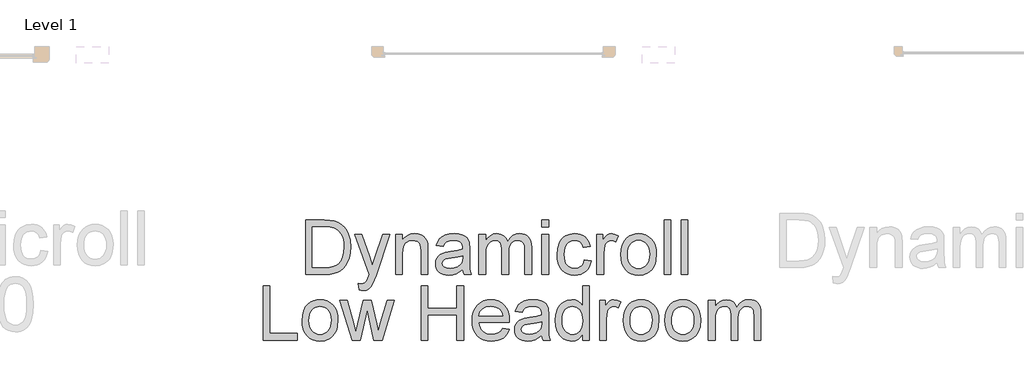
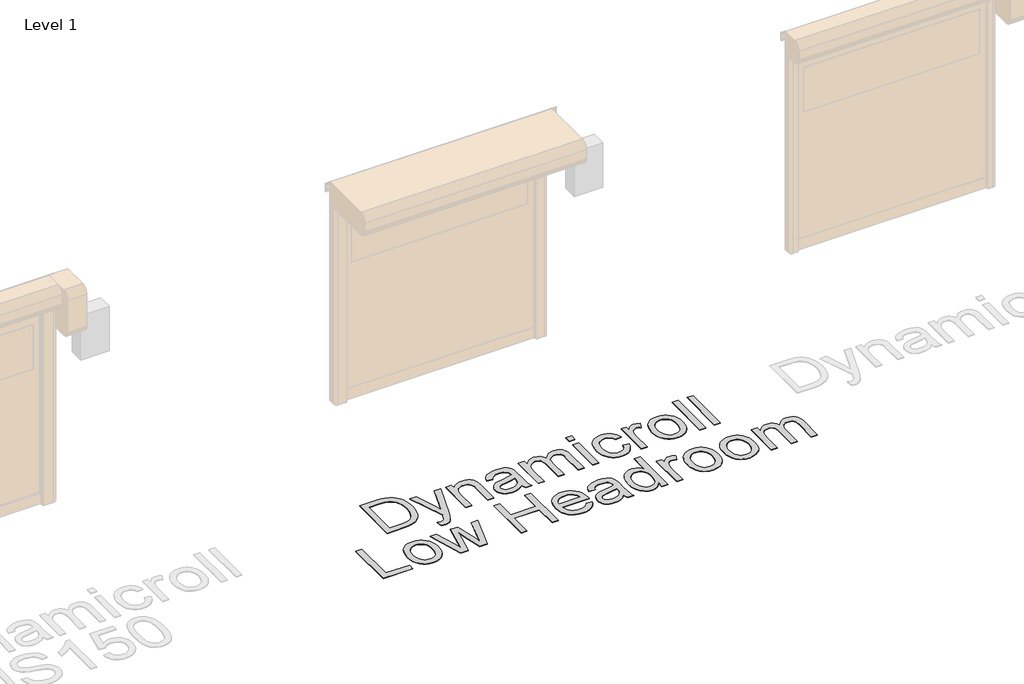
# One storey, part 10 of 18: 1 proxy.
"""IFC4 building model written with IfcOpenShell, lengths in millimetres."""

from ifc_helpers import new_model, si_unit, origin, origin_with_axes, place, context, project, spatial, polyline, outline, extrude, element, save

model = new_model("IFC4")

# Units and contexts
model_context = context("Model", 3, world=origin())
ifc_project = project(units=[si_unit("LENGTHUNIT", "METRE", prefix="MILLI")], contexts=[model_context])

# Site, building, storey
site = spatial("IfcSite", under=ifc_project)
building = spatial("IfcBuilding", under=site)
storey = spatial("IfcBuildingStorey", under=building, Name="Level 1", Elevation=0.0)

# Proxy
placement = place(None, origin())
element("IfcBuildingElementProxy", 1, Name="500mm", ObjectType="500mm", at=placement, inside=storey, context=model_context, shape_type="SweptSolid", body=[
    extrude(outline(polyline([(15153.8603048, 19116.7358376), (15153.8603048, 19619.0173884), (15327.1327245, 19619.0173884), (15378.9121153, 19617.2086352), (15416.773304, 19611.7823758), (15456.8111278, 19597.8335168), (15490.5949577, 19575.8525676), (15509.2113195, 19557.8876635), (15525.3291494, 19537.5928401), (15538.9484474, 19514.9680974), (15550.0692136, 19490.0134354), (15564.8764639, 19434.0340585), (15569.812214, 19370.5744143), (15566.4706192, 19316.6643736), (15556.4458348, 19269.2229246), (15541.178732, 19228.8325473), (15522.1101819, 19196.0757213), (15500.1598896, 19170.2166827), (15476.2475599, 19150.5196675), (15448.794366, 19135.9116866), (15416.221481, 19125.3197509), (15378.4675912, 19118.8818159), (15335.4713831, 19116.7358376), (15153.8603048, 19116.7358376)]), holes=[polyline([(15216.6454986, 19179.5210315), (15327.7458612, 19179.5210315), (15373.7004537, 19181.7896371), (15408.5572728, 19188.595454), (15434.8608354, 19199.5399434), (15455.1556588, 19214.2245664), (15476.9679955, 19241.4018488), (15493.3540727, 19276.5805645), (15503.6087833, 19319.9139979), (15507.0270201, 19371.555433), (15505.3523906, 19408.0064073), (15500.3285022, 19439.9814841), (15491.9553547, 19467.4806632), (15480.2329482, 19490.5039447), (15466.1116445, 19509.5724948), (15450.5418055, 19525.2074796), (15433.5234311, 19537.4088991), (15415.0565214, 19546.1767533), (15378.9427722, 19553.7183342), (15326.0290785, 19556.2321945), (15216.6454986, 19556.2321945), (15216.6454986, 19179.5210315)])]), origin_with_axes(), (0.0, 0.0, 1.0), 5.0),
    extrude(outline(polyline([(15648.2937063, 18975.4691515), (15640.4455571, 19035.924426), (15672.3286633, 19030.4061961), (15689.0979509, 19032.1383072), (15702.1271049, 19037.3346404), (15712.2745166, 19045.6273137), (15720.3985773, 19056.6484451), (15737.5664038, 19102.8789492), (15742.4714971, 19118.0847383), (15609.0529601, 19485.5988515), (15675.2717193, 19485.5988515), (15746.0276897, 19280.8112075), (15770.6757834, 19198.8961499), (15795.323877, 19271.2462756), (15868.0418847, 19485.5988515), (15933.7701346, 19485.5988515), (15805.3793182, 19107.9066698), (15772.024684, 19025.9916122), (15754.9488281, 18999.8413337), (15735.6043665, 18981.7231454), (15713.1329079, 18971.1465381), (15686.6760611, 18967.6210023), (15668.4965592, 18969.5830396), (15648.2937063, 18975.4691515)])), origin_with_axes(), (0.0, 0.0, 1.0), 5.0),
    extrude(outline(polyline([(15985.7641232, 19116.7358376), (15985.7641232, 19485.5988515), (16048.549317, 19485.5988515), (16048.549317, 19434.0953721), (16070.3616537, 19460.0617096), (16096.5579174, 19478.6090936), (16127.1381083, 19489.7375239), (16162.1022262, 19493.4470007), (16193.0502991, 19490.4579595), (16221.3925411, 19481.4908359), (16245.0289593, 19467.6646042), (16261.8595606, 19450.0982389), (16273.2792309, 19428.8377253), (16280.682856, 19403.9290485), (16283.993794, 19343.2285193), (16283.993794, 19116.7358376), (16221.2086001, 19116.7358376), (16221.2086001, 19334.7672335), (16219.399847, 19367.2328195), (16213.9735875, 19390.3174147), (16203.9641316, 19406.8567761), (16188.4057889, 19419.6866607), (16168.4635191, 19427.9180203), (16145.3022818, 19430.6618069), (16126.2375638, 19429.121301), (16108.5294107, 19424.4997834), (16092.1778224, 19416.7972542), (16077.182799, 19406.0137132), (16064.6556506, 19390.9228872), (16055.7076875, 19370.2985028), (16050.3389097, 19344.1405601), (16048.549317, 19312.4490591), (16048.549317, 19116.7358376), (15985.7641232, 19116.7358376)])), origin_with_axes(), (0.0, 0.0, 1.0), 5.0),
    extrude(outline(polyline([(16605.7679124, 19163.824733), (16575.7702014, 19138.1036502), (16544.8834422, 19121.2730489), (16512.4025277, 19111.9840285), (16477.6223508, 19108.8876884), (16449.6671512, 19110.750091), (16425.1531812, 19116.3372988), (16404.0804407, 19125.6493118), (16386.4489296, 19138.68613), (16372.5268954, 19154.6200189), (16362.5825852, 19172.6232441), (16356.6159991, 19192.6958054), (16354.627137, 19214.837703), (16357.6315067, 19240.8653542), (16366.6446155, 19264.5017724), (16380.5474893, 19284.7352821), (16398.2211535, 19300.5542079), (16418.9911578, 19312.5103727), (16442.1830519, 19321.1555996), (16496.5069598, 19330.5979042), (16560.702368, 19340.530718), (16605.4000304, 19352.1803146), (16605.7679124, 19366.1598304), (16601.445299, 19394.1801757), (16588.4774586, 19412.5129618), (16575.4023194, 19420.4530815), (16559.4760947, 19426.1245956), (16519.0703889, 19430.6618069), (16481.6690527, 19427.6421088), (16455.549431, 19418.5830147), (16437.7378111, 19401.8290555), (16425.2604801, 19375.7247622), (16362.4752863, 19383.5729115), (16373.3737904, 19417.9085644), (16389.6372402, 19444.8865773), (16412.7831491, 19465.5186259), (16444.3290302, 19480.8163855), (16482.9106544, 19490.2893469), (16527.1637928, 19493.4470007), (16569.608178, 19490.6572289), (16603.2540521, 19482.2879135), (16628.6225814, 19469.7032836), (16646.2349319, 19454.2675682), (16657.9151852, 19435.1836897), (16665.487423, 19411.6545704), (16668.5531063, 19356.7175258), (16668.5531063, 19278.6039155), (16671.7414169, 19169.526904), (16676.4625691, 19142.5642194), (16684.2494047, 19116.7358376), (16621.4642109, 19116.7358376), (16611.4087697, 19138.5635027), (16605.7679124, 19163.824733)]), holes=[polyline([(16605.7679124, 19289.3951207), (16563.5841103, 19278.9411407), (16504.4777364, 19270.1426296), (16450.4603968, 19259.9645611), (16436.4042389, 19253.00546), (16425.9962441, 19243.4098713), (16419.5583092, 19231.913559), (16417.4123309, 19219.252287), (16422.0874979, 19200.5822757), (16436.112999, 19185.2845161), (16459.1822657, 19175.0757907), (16490.9887299, 19171.6728823), (16524.7112461, 19175.4283443), (16554.5096877, 19186.6947304), (16578.6672721, 19203.2954054), (16595.4672165, 19223.0537342), (16602.9168269, 19243.4098713), (16605.4000304, 19271.6141576), (16605.7679124, 19289.3951207)])]), origin_with_axes(), (0.0, 0.0, 1.0), 5.0),
    extrude(outline(polyline([(16754.8827478, 19116.7358376), (16754.8827478, 19485.5988515), (16817.6679416, 19485.5988515), (16817.6679416, 19424.8983223), (16836.5525507, 19452.7807118), (16860.8327624, 19474.6237053), (16889.6808422, 19488.7411768), (16922.2690556, 19493.4470007), (16957.1871883, 19488.6492064), (16985.1768768, 19474.2558233), (17006.0848368, 19451.2172133), (17019.7577843, 19420.4837383), (17042.6431101, 19452.4051656), (17068.7474033, 19475.2061851), (17098.070664, 19488.8867968), (17130.6128922, 19493.4470007), (17155.7476631, 19491.5501092), (17177.8090865, 19485.8594346), (17196.7971624, 19476.3749769), (17212.7118908, 19463.0967361), (17225.2926886, 19445.8714281), (17234.2789728, 19424.5457687), (17239.6707432, 19399.1197579), (17241.4680001, 19369.5933957), (17241.4680001, 19116.7358376), (17178.6828062, 19116.7358376), (17178.6828062, 19342.6153827), (17177.2266067, 19373.9313375), (17172.858008, 19395.038567), (17164.6726336, 19409.4932637), (17151.7661069, 19420.8516203), (17135.1654319, 19428.2092602), (17115.8976124, 19430.6618069), (17098.105153, 19429.0906442), (17081.8838562, 19424.3771561), (17067.2337222, 19416.5213427), (17054.1547509, 19405.5232039), (17043.3980346, 19391.0608429), (17035.7146659, 19372.8123631), (17031.1046446, 19350.7777645), (17029.5679709, 19324.9570469), (17029.5679709, 19116.7358376), (16966.782777, 19116.7358376), (16966.782777, 19349.6051406), (16963.1499423, 19385.1057531), (16952.2514382, 19410.4282971), (16943.8246412, 19419.2804576), (16933.0755892, 19425.6034294), (16904.6107198, 19430.6618069), (16880.4224786, 19427.2895552), (16858.1349611, 19417.1728004), (16839.7408613, 19400.5567969), (16827.2328735, 19377.6867996), (16820.0591746, 19345.9569775), (16817.6679416, 19302.7614999), (16817.6679416, 19116.7358376), (16754.8827478, 19116.7358376)])), origin_with_axes(), (0.0, 0.0, 1.0), 5.0),
    extrude(outline(polyline([(17335.6457908, 19556.2321945), (17335.6457908, 19619.0173884), (17398.4309847, 19619.0173884), (17398.4309847, 19556.2321945), (17335.6457908, 19556.2321945)])), origin_with_axes(), (0.0, 0.0, 1.0), 5.0),
    extrude(outline(polyline([(17335.6457908, 19116.7358376), (17335.6457908, 19485.5988515), (17398.4309847, 19485.5988515), (17398.4309847, 19116.7358376), (17335.6457908, 19116.7358376)])), origin_with_axes(), (0.0, 0.0, 1.0), 5.0),
    extrude(outline(polyline([(17728.0532524, 19250.1543746), (17790.8384462, 19242.3062253), (17784.0096367, 19212.6802284), (17773.3333946, 19186.4648041), (17758.80972, 19163.6599525), (17740.4386129, 19144.2656736), (17718.9941582, 19128.7878051), (17695.2504411, 19117.7321847), (17669.2074615, 19111.0988125), (17640.8652195, 19108.8876884), (17605.6520148, 19111.9725322), (17574.079309, 19121.2270637), (17546.1471021, 19136.6512827), (17521.8553941, 19158.2451894), (17502.1928678, 19185.6025807), (17488.1482063, 19218.3172536), (17479.7214093, 19256.389208), (17476.912477, 19299.8184439), (17481.7102713, 19355.6905219), (17496.1036544, 19404.1129895), (17506.9561733, 19425.0631027), (17520.3225524, 19443.2157799), (17536.2027919, 19458.5710211), (17554.5968916, 19471.1288263), (17595.6004057, 19487.8674571), (17640.0068282, 19493.4470007), (17667.862393, 19491.5309486), (17693.0584776, 19485.7827925), (17715.5950819, 19476.2025322), (17735.4722059, 19462.7901678), (17752.3526246, 19445.8522676), (17765.8991126, 19425.6953999), (17776.1116701, 19402.3195648), (17782.990297, 19375.7247622), (17720.2051031, 19367.876613), (17708.8160897, 19395.2684932), (17691.0811118, 19414.9041947), (17667.9811882, 19426.7224038), (17640.4973375, 19430.6618069), (17619.1640139, 19428.7227622), (17599.9230191, 19422.9056281), (17582.7743532, 19413.2104047), (17567.7180161, 19399.6370919), (17555.4591151, 19381.8714573), (17546.7027572, 19359.5992681), (17541.4489424, 19332.8205246), (17539.6976708, 19301.5352266), (17541.4106214, 19269.7785797), (17546.549473, 19242.6894357), (17555.1142257, 19220.2677946), (17567.1048795, 19202.5136562), (17581.8623124, 19189.0208176), (17598.7274026, 19179.3830757), (17617.7001501, 19173.6004306), (17638.7805549, 19171.6728823), (17671.2921262, 19176.486005), (17697.9482424, 19190.9253733), (17708.7279513, 19201.8468701), (17717.3386893, 19215.3588692), (17728.0532524, 19250.1543746)])), origin_with_axes(), (0.0, 0.0, 1.0), 5.0),
    extrude(outline(polyline([(17845.7754908, 19116.7358376), (17845.7754908, 19485.5988515), (17900.7125354, 19485.5988515), (17900.7125354, 19431.0296889), (17921.0073588, 19462.6675404), (17939.7080269, 19481.3068949), (17958.4700087, 19490.4119742), (17978.9487731, 19493.4470007), (18010.2187427, 19488.6032211), (18041.9792216, 19474.0718823), (18021.0099479, 19417.785937), (17998.9370281, 19427.4428394), (17976.8641084, 19430.6618069), (17958.1174551, 19427.5654667), (17941.3634959, 19418.2764464), (17927.8285042, 19403.4998529), (17918.7387532, 19383.9407935), (17911.1052018, 19348.8693766), (17908.5606847, 19310.6096491), (17908.5606847, 19116.7358376), (17845.7754908, 19116.7358376)])), origin_with_axes(), (0.0, 0.0, 1.0), 5.0),
    extrude(outline(polyline([(18065.5236693, 19301.1673446), (18068.9189135, 19348.9383545), (18079.1046463, 19390.1028169), (18096.0808675, 19424.6607318), (18119.8475772, 19452.6120992), (18143.7752353, 19470.4773686), (18170.1860969, 19483.2382753), (18199.0801619, 19490.8948194), (18230.4574304, 19493.4470007), (18265.0958195, 19490.3391643), (18296.4156065, 19481.015655), (18324.4167913, 19465.4764728), (18349.0993739, 19443.7216177), (18369.2447452, 19416.4868537), (18383.6342962, 19384.5079449), (18392.2680268, 19347.7848911), (18395.1459369, 19306.3176925), (18390.0569027, 19242.8887052), (18383.6956098, 19216.8533898), (18374.7897999, 19194.6041933), (18363.4506038, 19175.3861911), (18349.7891526, 19158.4444588), (18333.8054464, 19143.7789964), (18315.499485, 19131.3898038), (18274.7718824, 19114.5132173), (18230.4574304, 19108.8876884), (18195.3132036, 19111.9840285), (18163.7021767, 19121.2730489), (18135.6243499, 19136.7547495), (18111.079723, 19158.4291304), (18091.1489495, 19185.9283096), (18076.9126827, 19218.884405), (18068.3709226, 19257.2974166), (18065.5236693, 19301.1673446)]), holes=[polyline([(18128.3088631, 19301.2899719), (18130.1252805, 19270.8362405), (18135.5745325, 19244.4675321), (18144.6566193, 19222.1838466), (18157.3715407, 19203.9851842), (18172.8379129, 19189.8485521), (18190.174352, 19179.7509577), (18209.3808578, 19173.6924011), (18230.4574304, 19171.6728823), (18251.4267042, 19173.7038974), (18270.5565679, 19179.796943), (18287.8470217, 19189.9520189), (18303.2980655, 19204.1691252), (18316.0129869, 19222.5478965), (18325.0950737, 19245.1879676), (18330.5443258, 19272.0893385), (18332.3607431, 19303.2520092), (18330.5328294, 19332.7400504), (18325.0490885, 19358.4189801), (18315.9095201, 19380.2887983), (18303.1141245, 19398.349505), (18287.6055991, 19412.486137), (18270.3266417, 19422.5837314), (18251.2772521, 19428.642288), (18230.4574304, 19430.6618069), (18209.3808578, 19428.6499522), (18190.174352, 19422.6143882), (18172.8379129, 19412.5551149), (18157.3715407, 19398.4721323), (18144.6566193, 19380.3271193), (18135.5745325, 19358.0817549), (18130.1252805, 19331.7360391), (18128.3088631, 19301.2899719)])]), origin_with_axes(), (0.0, 0.0, 1.0), 5.0),
    extrude(outline(polyline([(18465.77928, 19116.7358376), (18465.77928, 19619.0173884), (18528.5644739, 19619.0173884), (18528.5644739, 19116.7358376), (18465.77928, 19116.7358376)])), origin_with_axes(), (0.0, 0.0, 1.0), 5.0),
    extrude(outline(polyline([(18622.7422646, 19116.7358376), (18622.7422646, 19619.0173884), (18685.5274585, 19619.0173884), (18685.5274585, 19116.7358376), (18622.7422646, 19116.7358376)])), origin_with_axes(), (0.0, 0.0, 1.0), 5.0),
    extrude(outline(polyline([(14761.4528433, 18506.8617484), (14761.4528433, 19009.1432992), (14824.2380371, 19009.1432992), (14824.2380371, 18569.6469423), (15075.3788125, 18569.6469423), (15075.3788125, 18506.8617484), (14761.4528433, 18506.8617484)])), origin_with_axes(), (0.0, 0.0, 1.0), 5.0),
    extrude(outline(polyline([(15122.4677079, 18691.2932553), (15125.8629521, 18739.0642652), (15136.0486848, 18780.2287277), (15153.0249061, 18814.7866426), (15176.7916158, 18842.73801), (15200.7192739, 18860.6032794), (15227.1301355, 18873.3641861), (15256.0242005, 18881.0207301), (15287.401469, 18883.5729115), (15322.0398581, 18880.465075), (15353.3596451, 18871.1415657), (15381.3608299, 18855.6023835), (15406.0434125, 18833.8475285), (15426.1887838, 18806.6127645), (15440.5783348, 18774.6338557), (15449.2120653, 18737.9108019), (15452.0899755, 18696.4436033), (15447.0009413, 18633.0146159), (15440.6396484, 18606.9793006), (15431.7338385, 18584.7301041), (15420.3946424, 18565.5121019), (15406.7331912, 18548.5703696), (15390.7494849, 18533.9049072), (15372.4435236, 18521.5157146), (15331.715921, 18504.639128), (15287.401469, 18499.0135992), (15252.2572422, 18502.1099393), (15220.6462153, 18511.3989597), (15192.5683885, 18526.8806603), (15168.0237616, 18548.5550412), (15148.0929881, 18576.0542203), (15133.8567213, 18609.0103157), (15125.3149612, 18647.4233274), (15122.4677079, 18691.2932553)]), holes=[polyline([(15185.2529017, 18691.4158827), (15187.0693191, 18660.9621513), (15192.5185711, 18634.5934428), (15201.6006579, 18612.3097574), (15214.3155793, 18594.1110949), (15229.7819515, 18579.9744629), (15247.1183906, 18569.8768685), (15266.3248964, 18563.8183119), (15287.401469, 18561.798793), (15308.3707428, 18563.8298082), (15327.5006065, 18569.9228538), (15344.7910603, 18580.0779297), (15360.2421041, 18594.2950359), (15372.9570255, 18612.6738073), (15382.0391123, 18635.3138784), (15387.4883643, 18662.2152493), (15389.3047817, 18693.37792), (15387.476868, 18722.8659611), (15381.993127, 18748.5448908), (15372.8535587, 18770.414709), (15360.0581631, 18788.4754157), (15344.5496377, 18802.6120478), (15327.2706803, 18812.7096422), (15308.2212907, 18818.7681988), (15287.401469, 18820.7877176), (15266.3248964, 18818.775863), (15247.1183906, 18812.740299), (15229.7819515, 18802.6810257), (15214.3155793, 18788.5980431), (15201.6006579, 18770.4530301), (15192.5185711, 18748.2076657), (15187.0693191, 18721.8619499), (15185.2529017, 18691.4158827)])]), origin_with_axes(), (0.0, 0.0, 1.0), 5.0),
    extrude(outline(polyline([(15583.9143571, 18506.8617484), (15471.7103486, 18875.7247622), (15536.9480891, 18875.7247622), (15600.5916743, 18660.5137951), (15619.5989107, 18583.6264581), (15635.1725818, 18657.6933664), (15685.8176698, 18875.7247622), (15760.6203422, 18875.7247622), (15811.0201755, 18658.3065031), (15824.877064, 18591.2293526), (15844.7426917, 18661.9853231), (15908.5089042, 18875.7247622), (15973.9918994, 18875.7247622), (15860.9294995, 18506.8617484), (15785.0231812, 18506.8617484), (15736.8306398, 18723.1763616), (15722.851124, 18790.621394), (15660.6790668, 18506.8617484), (15583.9143571, 18506.8617484)])), origin_with_axes(), (0.0, 0.0, 1.0), 5.0),
    extrude(outline(polyline([(16221.2086001, 18506.8617484), (16221.2086001, 19009.1432992), (16283.993794, 19009.1432992), (16283.993794, 18805.0914192), (16550.8308678, 18805.0914192), (16550.8308678, 19009.1432992), (16613.6160616, 19009.1432992), (16613.6160616, 18506.8617484), (16550.8308678, 18506.8617484), (16550.8308678, 18742.3062253), (16283.993794, 18742.3062253), (16283.993794, 18506.8617484), (16221.2086001, 18506.8617484)])), origin_with_axes(), (0.0, 0.0, 1.0), 5.0),
    extrude(outline(polyline([(16973.8951622, 18616.7358376), (17035.4540828, 18608.8876884), (17026.0156103, 18584.2319305), (17013.2738641, 18562.5039002), (16997.2288442, 18543.7035974), (16977.8805505, 18527.8310221), (16955.4282525, 18515.2233996), (16930.0712196, 18506.2179549), (16901.8094517, 18500.8146881), (16870.6429489, 18499.0135992), (16831.6857785, 18502.1214356), (16796.9745794, 18511.4449449), (16766.5093517, 18526.9841271), (16740.2900953, 18548.7389822), (16719.2058585, 18576.1040377), (16704.1456893, 18608.4738212), (16695.1095878, 18645.8483326), (16692.0975539, 18688.227572), (16695.1402446, 18732.0438505), (16704.2683166, 18770.6637958), (16719.48177, 18804.0874079), (16740.7806046, 18832.3146868), (16766.9308831, 18854.7401601), (16796.6986679, 18870.7583553), (16830.083959, 18880.3692724), (16867.0867563, 18883.5729115), (16902.8977693, 18880.3769366), (16935.2828812, 18870.7890121), (16964.242092, 18854.809138), (16989.7754017, 18832.4373141), (17010.618216, 18804.2713489), (17025.5059405, 18770.9090505), (17034.4385752, 18732.3504188), (17037.4161201, 18688.595454), (17037.0482381, 18671.6728823), (16754.8827478, 18671.6728823), (16758.5194146, 18646.6185855), (16765.7505951, 18624.6759574), (16776.5762892, 18605.8449977), (16790.996497, 18590.1257067), (16808.2141408, 18577.7326819), (16827.4321429, 18568.8805214), (16848.6505034, 18563.5692251), (16871.8692223, 18561.798793), (16905.2851701, 18565.0790742), (16933.4281428, 18574.9199175), (16956.2981401, 18591.9344598), (16973.8951622, 18616.7358376)]), holes=[polyline([(16754.8827478, 18734.4580761), (16974.6309262, 18734.4580761), (16966.1389835, 18767.6287693), (16949.4923232, 18791.357158), (16932.370482, 18804.2330279), (16912.8880647, 18813.4300777), (16891.0450713, 18818.9483077), (16866.8415017, 18820.7877176), (16824.5197438, 18814.9169341), (16806.1064835, 18807.5784547), (16789.524969, 18797.3045836), (16775.610599, 18784.5705016), (16765.1987721, 18769.8513897), (16758.2894883, 18753.1472479), (16754.8827478, 18734.4580761)])]), origin_with_axes(), (0.0, 0.0, 1.0), 5.0),
    extrude(outline(polyline([(17335.6457908, 18553.9506438), (17305.6480798, 18528.229561), (17274.7613206, 18511.3989597), (17242.2804061, 18502.1099393), (17207.5002292, 18499.0135992), (17179.5450297, 18500.8760018), (17155.0310596, 18506.4632096), (17133.9583191, 18515.7752226), (17116.326808, 18528.8120408), (17102.4047738, 18544.7459297), (17092.4604636, 18562.7491549), (17086.4938775, 18582.8217162), (17084.5050155, 18604.9636138), (17087.5093851, 18630.991265), (17096.522494, 18654.6276831), (17110.4253677, 18674.8611929), (17128.0990319, 18690.6801187), (17148.8690362, 18702.6362835), (17172.0609303, 18711.2815104), (17226.3848383, 18720.7238149), (17290.5802464, 18730.6566288), (17335.2779088, 18742.3062253), (17335.6457908, 18756.2857411), (17331.3231774, 18784.3060864), (17318.3553371, 18802.6388725), (17305.2801978, 18810.5789923), (17289.3539731, 18816.2505064), (17248.9482673, 18820.7877176), (17211.5469311, 18817.7680196), (17185.4273095, 18808.7089255), (17167.6156895, 18791.9549663), (17155.1383585, 18765.850673), (17092.3531647, 18773.6988223), (17103.2516688, 18808.0344751), (17119.5151187, 18835.0124881), (17142.6610275, 18855.6445367), (17174.2069086, 18870.9422963), (17212.7885329, 18880.4152577), (17257.0416712, 18883.5729115), (17299.4860564, 18880.7831397), (17333.1319305, 18872.4138243), (17358.5004598, 18859.8291944), (17376.1128103, 18844.393479), (17387.7930637, 18825.3096005), (17395.3653014, 18801.7804812), (17398.4309847, 18746.8434366), (17398.4309847, 18668.7298263), (17401.6192953, 18559.6528147), (17406.3404476, 18532.6901302), (17414.1272831, 18506.8617484), (17351.3420893, 18506.8617484), (17341.2866481, 18528.6894135), (17335.6457908, 18553.9506438)]), holes=[polyline([(17335.6457908, 18679.5210315), (17293.4619887, 18669.0670515), (17234.3556148, 18660.2685404), (17180.3382752, 18650.0904719), (17166.2821173, 18643.1313708), (17155.8741225, 18633.5357821), (17149.4361876, 18622.0394697), (17147.2902093, 18609.3781977), (17151.9653763, 18590.7081865), (17165.9908774, 18575.4104269), (17189.0601442, 18565.2017015), (17220.8666083, 18561.798793), (17254.5891246, 18565.5542551), (17284.3875662, 18576.8206412), (17308.5451505, 18593.4213162), (17325.345095, 18613.179645), (17332.7947054, 18633.5357821), (17335.2779088, 18661.7400684), (17335.6457908, 18679.5210315)])]), origin_with_axes(), (0.0, 0.0, 1.0), 5.0),
    extrude(outline(polyline([(17712.3569539, 18506.8617484), (17712.3569539, 18566.0907496), (17693.5719795, 18536.7444963), (17670.8169453, 18515.7828868), (17644.0918512, 18503.2059211), (17613.3966972, 18499.0135992), (17572.8070504, 18505.0836521), (17535.6509689, 18523.2938109), (17504.1970583, 18552.3718169), (17480.7139243, 18591.0454116), (17466.090615, 18637.7510966), (17461.2161785, 18690.9253733), (17465.7074046, 18743.4405281), (17479.1810826, 18790.8666487), (17489.2825091, 18811.9968708), (17501.6218843, 18830.5059337), (17516.1992084, 18846.3938373), (17533.0144813, 18859.6605818), (17570.9829688, 18877.5948291), (17613.1514425, 18883.5729115), (17643.8695891, 18879.2962833), (17671.0315431, 18866.4663987), (17694.0548246, 18846.8000404), (17712.3569539, 18822.013991), (17712.3569539, 19009.1432992), (17775.1421477, 19009.1432992), (17775.1421477, 18506.8617484), (17712.3569539, 18506.8617484)]), holes=[polyline([(17524.0013724, 18691.170628), (17525.7718045, 18660.7245608), (17531.0831008, 18634.378845), (17539.9352613, 18612.1334806), (17552.328286, 18593.9884676), (17567.1278721, 18579.905485), (17583.1997168, 18569.8462117), (17600.54382, 18563.8106477), (17619.1601818, 18561.798793), (17637.864682, 18563.7186772), (17655.1053184, 18569.4783297), (17670.882091, 18579.0777505), (17685.1949999, 18592.5169396), (17697.0783548, 18609.903196), (17705.5664654, 18631.3438185), (17710.6593318, 18656.8388072), (17712.3569539, 18686.3881621), (17710.6286749, 18718.7847703), (17705.4438381, 18746.5675251), (17696.8024433, 18769.7364266), (17684.7044906, 18788.2914747), (17670.0773492, 18802.508581), (17653.8483883, 18812.6636569), (17636.0176078, 18818.7567025), (17616.5850078, 18820.7877176), (17597.600764, 18818.8371766), (17580.2566608, 18812.9855537), (17564.5526981, 18803.2328487), (17550.488876, 18789.5790617), (17538.9005932, 18771.7252886), (17530.6232483, 18749.3726253), (17525.6568413, 18722.5210718), (17524.0013724, 18691.170628)])]), origin_with_axes(), (0.0, 0.0, 1.0), 5.0),
    extrude(outline(polyline([(17869.3199385, 18506.8617484), (17869.3199385, 18875.7247622), (17924.2569831, 18875.7247622), (17924.2569831, 18821.1555996), (17944.5518065, 18852.7934512), (17963.2524746, 18871.4328056), (17982.0144564, 18880.537885), (18002.4932208, 18883.5729115), (18033.7631904, 18878.7291319), (18065.5236693, 18864.1977931), (18044.5543955, 18807.9118478), (18022.4814758, 18817.5687502), (18000.4085561, 18820.7877176), (17981.6619028, 18817.6913775), (17964.9079436, 18808.4023571), (17951.3729519, 18793.6257637), (17942.2832009, 18774.0667042), (17934.6496495, 18738.9952874), (17932.1051324, 18700.7355599), (17932.1051324, 18506.8617484), (17869.3199385, 18506.8617484)])), origin_with_axes(), (0.0, 0.0, 1.0), 5.0),
    extrude(outline(polyline([(18089.068117, 18691.2932553), (18092.4633612, 18739.0642652), (18102.649094, 18780.2287277), (18119.6253152, 18814.7866426), (18143.3920249, 18842.73801), (18167.319683, 18860.6032794), (18193.7305446, 18873.3641861), (18222.6246096, 18881.0207301), (18254.0018781, 18883.5729115), (18288.6402672, 18880.465075), (18319.9600542, 18871.1415657), (18347.961239, 18855.6023835), (18372.6438216, 18833.8475285), (18392.7891929, 18806.6127645), (18407.1787439, 18774.6338557), (18415.8124744, 18737.9108019), (18418.6903846, 18696.4436033), (18413.6013504, 18633.0146159), (18407.2400575, 18606.9793006), (18398.3342476, 18584.7301041), (18386.9950515, 18565.5121019), (18373.3336003, 18548.5703696), (18357.349894, 18533.9049072), (18339.0439327, 18521.5157146), (18298.3163301, 18504.639128), (18254.0018781, 18499.0135992), (18218.8576513, 18502.1099393), (18187.2466244, 18511.3989597), (18159.1687976, 18526.8806603), (18134.6241707, 18548.5550412), (18114.6933972, 18576.0542203), (18100.4571304, 18609.0103157), (18091.9153703, 18647.4233274), (18089.068117, 18691.2932553)]), holes=[polyline([(18151.8533108, 18691.4158827), (18153.6697282, 18660.9621513), (18159.1189802, 18634.5934428), (18168.201067, 18612.3097574), (18180.9159884, 18594.1110949), (18196.3823606, 18579.9744629), (18213.7187997, 18569.8768685), (18232.9253055, 18563.8183119), (18254.0018781, 18561.798793), (18274.9711519, 18563.8298082), (18294.1010156, 18569.9228538), (18311.3914694, 18580.0779297), (18326.8425132, 18594.2950359), (18339.5574346, 18612.6738073), (18348.6395214, 18635.3138784), (18354.0887734, 18662.2152493), (18355.9051908, 18693.37792), (18354.0772771, 18722.8659611), (18348.5935361, 18748.5448908), (18339.4539678, 18770.414709), (18326.6585722, 18788.4754157), (18311.1500468, 18802.6120478), (18293.8710894, 18812.7096422), (18274.8216998, 18818.7681988), (18254.0018781, 18820.7877176), (18232.9253055, 18818.775863), (18213.7187997, 18812.740299), (18196.3823606, 18802.6810257), (18180.9159884, 18788.5980431), (18168.201067, 18770.4530301), (18159.1189802, 18748.2076657), (18153.6697282, 18721.8619499), (18151.8533108, 18691.4158827)])]), origin_with_axes(), (0.0, 0.0, 1.0), 5.0),
    extrude(outline(polyline([(18473.6274293, 18691.2932553), (18477.0226735, 18739.0642652), (18487.2084062, 18780.2287277), (18504.1846275, 18814.7866426), (18527.9513372, 18842.73801), (18551.8789953, 18860.6032794), (18578.2898569, 18873.3641861), (18607.1839219, 18881.0207301), (18638.5611904, 18883.5729115), (18673.1995795, 18880.465075), (18704.5193665, 18871.1415657), (18732.5205513, 18855.6023835), (18757.2031339, 18833.8475285), (18777.3485052, 18806.6127645), (18791.7380562, 18774.6338557), (18800.3717867, 18737.9108019), (18803.2496969, 18696.4436033), (18798.1606627, 18633.0146159), (18791.7993698, 18606.9793006), (18782.8935599, 18584.7301041), (18771.5543638, 18565.5121019), (18757.8929126, 18548.5703696), (18741.9092063, 18533.9049072), (18723.603245, 18521.5157146), (18682.8756424, 18504.639128), (18638.5611904, 18499.0135992), (18603.4169636, 18502.1099393), (18571.8059367, 18511.3989597), (18543.7281099, 18526.8806603), (18519.183483, 18548.5550412), (18499.2527095, 18576.0542203), (18485.0164427, 18609.0103157), (18476.4746826, 18647.4233274), (18473.6274293, 18691.2932553)]), holes=[polyline([(18536.4126231, 18691.4158827), (18538.2290404, 18660.9621513), (18543.6782925, 18634.5934428), (18552.7603793, 18612.3097574), (18565.4753007, 18594.1110949), (18580.9416729, 18579.9744629), (18598.278112, 18569.8768685), (18617.4846178, 18563.8183119), (18638.5611904, 18561.798793), (18659.5304641, 18563.8298082), (18678.6603279, 18569.9228538), (18695.9507817, 18580.0779297), (18711.4018255, 18594.2950359), (18724.1167469, 18612.6738073), (18733.1988337, 18635.3138784), (18738.6480857, 18662.2152493), (18740.4645031, 18693.37792), (18738.6365894, 18722.8659611), (18733.1528484, 18748.5448908), (18724.0132801, 18770.414709), (18711.2178845, 18788.4754157), (18695.7093591, 18802.6120478), (18678.4304017, 18812.7096422), (18659.3810121, 18818.7681988), (18638.5611904, 18820.7877176), (18617.4846178, 18818.775863), (18598.278112, 18812.740299), (18580.9416729, 18802.6810257), (18565.4753007, 18788.5980431), (18552.7603793, 18770.4530301), (18543.6782925, 18748.2076657), (18538.2290404, 18721.8619499), (18536.4126231, 18691.4158827)])]), origin_with_axes(), (0.0, 0.0, 1.0), 5.0),
    extrude(outline(polyline([(18873.88304, 18506.8617484), (18873.88304, 18875.7247622), (18936.6682338, 18875.7247622), (18936.6682338, 18815.024233), (18955.5528429, 18842.9066226), (18979.8330546, 18864.7496161), (19008.6811344, 18878.8670876), (19041.2693478, 18883.5729115), (19076.1874805, 18878.7751171), (19104.177169, 18864.3817341), (19125.085129, 18841.3431241), (19138.7580765, 18810.6096491), (19161.6434023, 18842.5310764), (19187.7476956, 18865.3320959), (19217.0709563, 18879.0127076), (19249.6131844, 18883.5729115), (19274.7479553, 18881.6760199), (19296.8093787, 18875.9853453), (19315.7974546, 18866.5008876), (19331.712183, 18853.2226469), (19344.2929808, 18835.9973389), (19353.279265, 18814.6716795), (19358.6710355, 18789.2456687), (19360.4682923, 18759.7193064), (19360.4682923, 18506.8617484), (19297.6830984, 18506.8617484), (19297.6830984, 18732.7412935), (19296.2268989, 18764.0572483), (19291.8583002, 18785.1644778), (19283.6729258, 18799.6191745), (19270.7663991, 18810.9775311), (19254.1657241, 18818.335171), (19234.8979046, 18820.7877176), (19217.1054452, 18819.2165549), (19200.8841485, 18814.5030669), (19186.2340144, 18806.6472534), (19173.1550431, 18795.6491146), (19162.3983268, 18781.1867537), (19154.7149581, 18762.9382739), (19150.1049368, 18740.9036752), (19148.5682631, 18715.0829577), (19148.5682631, 18506.8617484), (19085.7830692, 18506.8617484), (19085.7830692, 18739.7310514), (19082.1502345, 18775.2316639), (19071.2517304, 18800.5542079), (19062.8249335, 18809.4063684), (19052.0758814, 18815.7293402), (19023.611012, 18820.7877176), (18999.4227709, 18817.415466), (18977.1352533, 18807.2987111), (18958.7411536, 18790.6827077), (18946.2331657, 18767.8127103), (18939.0594668, 18736.0828882), (18936.6682338, 18692.8874106), (18936.6682338, 18506.8617484), (18873.88304, 18506.8617484)])), origin_with_axes(), (0.0, 0.0, 1.0), 5.0),
])

save(model, "model.ifc")
